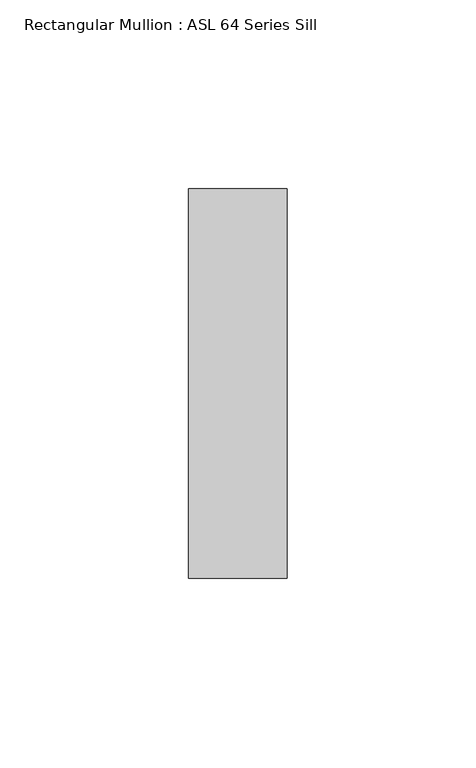
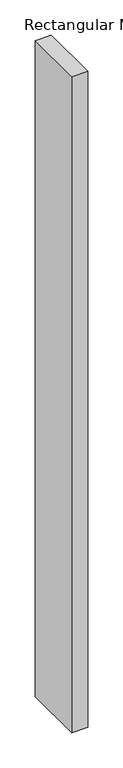
"""IFC4 building model written with IfcOpenShell, lengths in millimetres: member geometry, Rectangular Mullion : ASL 64 Series Sill."""

from ifc_helpers import new_model, si_unit, frame, origin, place, context, project, spatial, polyline, outline, extrude, source, transform, mapped, element, save


def rectangular_mullion_asl_64_series_sill_0df17d0e(model_context):
    return source(origin(), model_context, "Body", "SweptSolid", [
        extrude(outline(polyline([(0.0, 51.5), (0.0, -51.5), (-26.0, -51.5), (-26.0, 51.5), (0.0, 51.5)])), frame((0.0, 0.0, -1134.2673911), z_axis=(0.0, 0.0, 1.0), x_axis=(1.0, 0.0, 0.0)), (0.0, 0.0, 1.0), 1134.2673911),
    ])


if __name__ == "__main__":
    model = new_model("IFC4")
    model_context = context("Model", 3, world=origin())
    ifc_project = project(units=[si_unit("LENGTHUNIT", "METRE", prefix="MILLI")], contexts=[model_context])
    site = spatial("IfcSite", under=ifc_project)
    building = spatial("IfcBuilding", under=site)
    placement = place(None, origin())
    rectangular_mullion_asl_64_series_sill_shape = rectangular_mullion_asl_64_series_sill_0df17d0e(model_context)
    element("IfcMember", 1, ObjectType="Rectangular Mullion : ASL 64 Series Sill", at=placement, inside=building, context=model_context, shape_type="MappedRepresentation", body=[
        mapped(rectangular_mullion_asl_64_series_sill_shape, transform((0.0, 0.0, 0.0), x_axis=(1.0, 0.0, 0.0), y_axis=(0.0, 1.0, 0.0), z_axis=(0.0, 0.0, 1.0))),
    ])
    save(model, "model.ifc")
